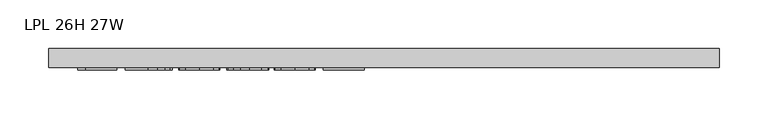
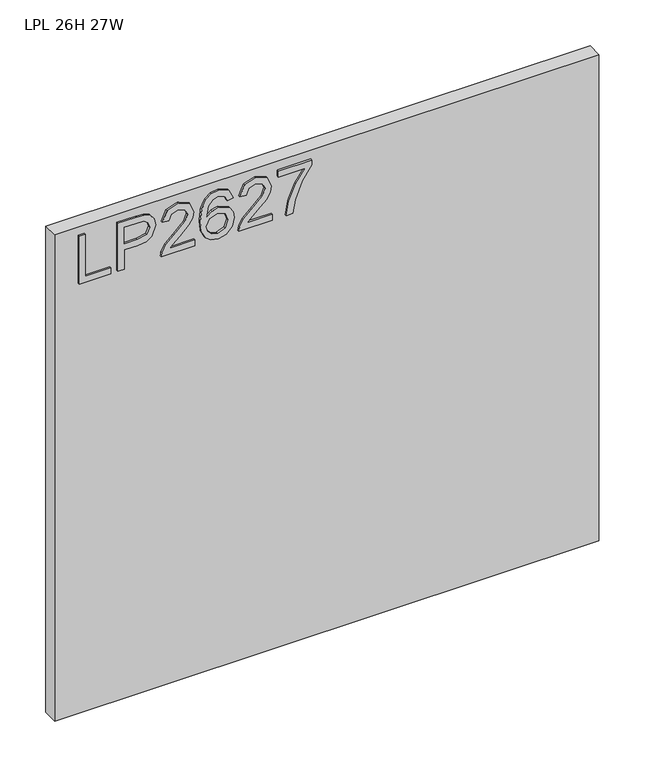
"""IFC4 building model written with IfcOpenShell, lengths in millimetres: furniture geometry, LPL 26H 27W."""

from ifc_helpers import new_model, si_unit, frame, origin, place, context, project, spatial, polyline, outline, extrude, source, transform, mapped, element, save


def lpl_26h_27w_dafb3058(model_context):
    return source(origin(), model_context, "Body", "SweptSolid", [
        extrude(outline(polyline([(1589.0772502, 29.4553512), (1589.0772502, 69.3239493), (1597.0509698, 69.3239493), (1597.0509698, 37.4290708), (1652.8670071, 37.4290708), (1652.8670071, 29.4553512), (1589.0772502, 29.4553512)])), frame((0.0, -21.68525, 0.0), z_axis=(0.0, 1.0, 0.0), x_axis=(0.0, 0.0, 1.0)), (0.0, 0.0, 1.0), 2.38125),
        extrude(outline(polyline([(1589.0772502, 78.2943838), (1589.0772502, 86.2681034), (1614.991839, 86.2681034), (1614.991839, 102.4802951), (1616.4012562, 113.8081941), (1620.6295079, 121.0051769), (1634.4122069, 126.1367015), (1643.1101022, 124.2367137), (1649.2772759, 119.2142047), (1652.259634, 111.4663033), (1652.8670071, 101.9352166), (1652.8670071, 78.2943838), (1589.0772502, 78.2943838)]), holes=[polyline([(1622.9655586, 86.2681034), (1644.8932875, 86.2681034), (1644.8932875, 102.7606212), (1644.348209, 110.7343408), (1640.7351173, 116.1150442), (1634.1318808, 118.1629819), (1625.8934087, 114.6900533), (1622.9655586, 102.9475052), (1622.9655586, 86.2681034)])]), frame((0.0, -21.68525, 0.0), z_axis=(0.0, 1.0, 0.0), x_axis=(0.0, 0.0, 1.0)), (0.0, 0.0, 1.0), 2.38125),
        extrude(outline(polyline([(1597.0509698, 174.9757342), (1597.0509698, 143.6570816), (1601.1079111, 147.2545996), (1608.7779442, 156.4274919), (1619.7028745, 167.8507797), (1627.5208574, 172.5618152), (1635.0818747, 173.9790192), (1647.758843, 168.7229052), (1652.8670071, 154.4496356), (1648.2727742, 140.2230871), (1634.926138, 134.1104212), (1633.9294231, 142.0841408), (1641.981011, 145.4402669), (1644.8932875, 154.2783253), (1641.9109295, 162.7581892), (1634.5990909, 166.0052996), (1625.5663617, 162.5635183), (1612.2820202, 148.796393), (1603.0390464, 138.8136698), (1594.5747561, 133.9702581), (1589.0772502, 133.1137062), (1589.0772502, 174.9757342), (1597.0509698, 174.9757342)])), frame((0.0, -21.68525, 0.0), z_axis=(0.0, 1.0, 0.0), x_axis=(0.0, 0.0, 1.0)), (0.0, 0.0, 1.0), 2.38125),
        extrude(outline(polyline([(1635.922853, 223.8147669), (1648.3662162, 217.9279192), (1652.8670071, 205.3288192), (1651.048781, 196.0741652), (1645.5941027, 188.9297435), (1634.7353605, 183.69699), (1618.8541094, 181.9527389), (1604.7287897, 183.5237329), (1595.244424, 188.2367152), (1589.8715074, 195.4414848), (1588.0805352, 204.487841), (1590.7825672, 214.9377743), (1598.5694028, 222.1795314), (1609.5722014, 224.8114818), (1617.7444853, 223.4137448), (1624.2581733, 219.2205339), (1629.9425632, 205.67144), (1627.8634781, 196.957971), (1621.5016335, 189.9264585), (1635.7126084, 192.1924276), (1642.9621523, 197.6354257), (1644.8932875, 204.8304617), (1641.5760956, 212.819755), (1634.926138, 215.8410472), (1635.922853, 223.8147669)]), holes=[polyline([(1609.6967908, 189.9264585), (1618.5815702, 193.8899578), (1621.9688436, 203.537847), (1618.5815702, 213.3103257), (1609.307449, 216.8377622), (1599.6206256, 213.2636047), (1596.0542549, 203.8648941), (1597.7751455, 196.6776449), (1602.7898676, 191.7719385), (1609.6967908, 189.9264585)])]), frame((0.0, -21.68525, 0.0), z_axis=(0.0, 1.0, 0.0), x_axis=(0.0, 0.0, 1.0)), (0.0, 0.0, 1.0), 2.38125),
        extrude(outline(polyline([(1597.0509698, 272.6537995), (1597.0509698, 241.3351469), (1601.1079111, 244.9326649), (1608.7779442, 254.1055572), (1619.7028745, 265.528845), (1627.5208574, 270.2398805), (1635.0818747, 271.6570846), (1647.758843, 266.4009706), (1652.8670071, 252.127701), (1648.2727742, 237.9011524), (1634.926138, 231.7884865), (1633.9294231, 239.7622061), (1641.981011, 243.1183322), (1644.8932875, 251.9563906), (1641.9109295, 260.4362545), (1634.5990909, 263.6833649), (1625.5663617, 260.2415836), (1612.2820202, 246.4744583), (1603.0390464, 236.4917352), (1594.5747561, 231.6483234), (1589.0772502, 230.7917715), (1589.0772502, 272.6537995), (1597.0509698, 272.6537995)])), frame((0.0, -21.68525, 0.0), z_axis=(0.0, 1.0, 0.0), x_axis=(0.0, 0.0, 1.0)), (0.0, 0.0, 1.0), 2.38125),
        extrude(outline(polyline([(1643.8965726, 280.6275191), (1643.8965726, 314.5158275), (1627.396268, 302.4618061), (1607.0648404, 293.7639107), (1589.0772502, 290.5946687), (1589.0772502, 298.5683883), (1606.4107462, 301.5273858), (1628.2683936, 310.6146229), (1645.4227923, 322.4895471), (1651.8702922, 322.4895471), (1651.8702922, 280.6275191), (1643.8965726, 280.6275191)])), frame((0.0, -21.68525, 0.0), z_axis=(0.0, 1.0, 0.0), x_axis=(0.0, 0.0, 1.0)), (0.0, 0.0, 1.0), 2.38125),
        extrude(outline(polyline([(685.8, 0.0), (685.8, -19.304), (0.0, -19.304), (0.0, 0.0), (685.8, 0.0)])), frame((0.0, 0.0, 1016.0), z_axis=(0.0, 0.0, 1.0), x_axis=(1.0, 0.0, 0.0)), (0.0, 0.0, 1.0), 647.7),
    ])


if __name__ == "__main__":
    model = new_model("IFC4")
    model_context = context("Model", 3, world=origin())
    ifc_project = project(units=[si_unit("LENGTHUNIT", "METRE", prefix="MILLI")], contexts=[model_context])
    site = spatial("IfcSite", under=ifc_project)
    building = spatial("IfcBuilding", under=site)
    placement = place(None, origin())
    lpl_26h_27w_shape = lpl_26h_27w_dafb3058(model_context)
    element("IfcFurniture", 1, ObjectType="LPL 26H 27W", at=placement, inside=building, context=model_context, shape_type="MappedRepresentation", body=[
        mapped(lpl_26h_27w_shape, transform((0.0, 0.0, 0.0), x_axis=(1.0, 0.0, 0.0), y_axis=(0.0, 1.0, 0.0), z_axis=(0.0, 0.0, 1.0))),
    ])
    save(model, "model.ifc")
